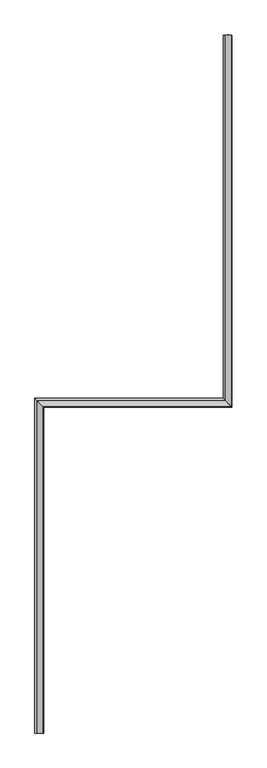
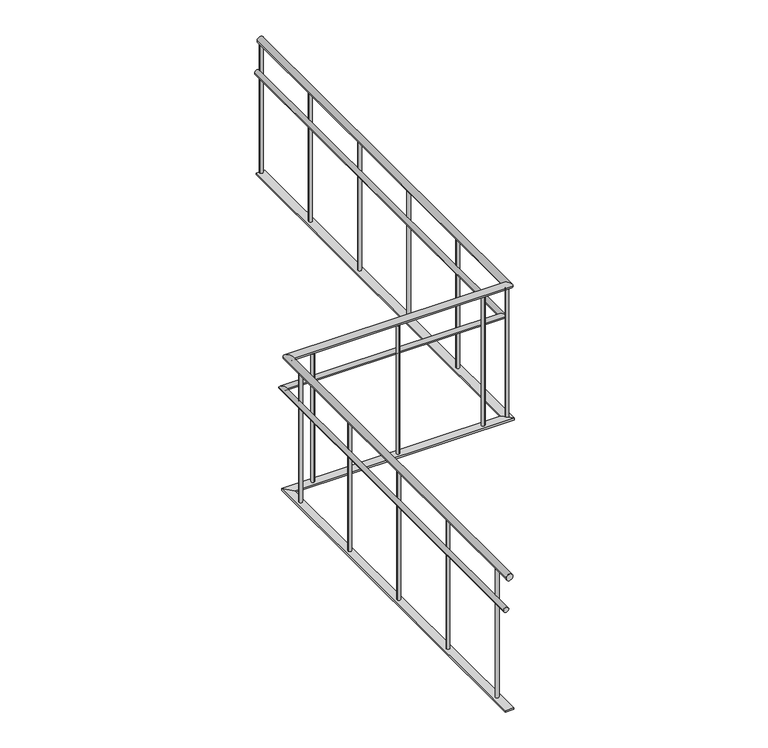
"""IFC4 building model written with IfcOpenShell, lengths in millimetres: railing geometry."""

import ifcopenshell
import ifcopenshell.guid

model = None  # the IFC model being written
_history = None  # IfcOwnerHistory: only IFC2X3 demands one
_inside = {}  # id of a spatial element -> (the spatial element, [elements in it])
_under = {}  # id of a project, library or spatial element -> (it, [spatial elements below it])
_declared = {}  # id of a project -> (the project, [libraries it declares])
_typed = {}  # id of a type object -> (the type object, [elements of that type])
_made_of = {}  # id of a material, layer set ... -> (it, [elements and type objects made of it])


def new_model(schema):
    """Start an empty IFC model of exactly this schema.

    Asked for "IFC4X3", IfcOpenShell would pick the latest addendum, in which some entities
    have other attributes; the version numbers below select the first issue.
    IFC2X3 requires an IfcOwnerHistory on every rooted entity: one is made here for all.
    """
    global model, _history
    if schema == "IFC4X3":
        model = ifcopenshell.file(schema_version=(4, 3, 0, 0))
    else:
        model = ifcopenshell.file(schema=schema)
    _inside.clear()
    _under.clear()
    _declared.clear()
    _typed.clear()
    _made_of.clear()
    _history = None
    if model.schema == "IFC2X3":
        org = make("IfcOrganization", Name="unknown")
        user = make(
            "IfcPersonAndOrganization",
            ThePerson=make("IfcPerson", FamilyName="unknown"),
            TheOrganization=org,
        )
        app = make(
            "IfcApplication",
            ApplicationDeveloper=org,
            Version="unknown",
            ApplicationFullName="unknown",
            ApplicationIdentifier="unknown",
        )
        _history = make(
            "IfcOwnerHistory",
            OwningUser=user,
            OwningApplication=app,
            ChangeAction="ADDED",
            CreationDate=0,
        )
    return model


def make(cls, **values):
    """One entity of the class cls with the attributes given. An attribute that is None is left unset."""
    return model.create_entity(
        cls, **{name: value for name, value in values.items() if value is not None}
    )


def rooted(cls, **values):
    """An entity with a GlobalId (a new one), such as an element, a storey or a relation."""
    return make(cls, GlobalId=ifcopenshell.guid.new(), OwnerHistory=_history, **values)


def si_unit(unit_type, name, prefix=None):
    """IfcSIUnit, for example si_unit("LENGTHUNIT", "METRE", prefix="MILLI")."""
    return make("IfcSIUnit", UnitType=unit_type, Prefix=prefix, Name=name)


def assignment(units):
    """IfcUnitAssignment: the units of a project."""
    return None if units is None else make("IfcUnitAssignment", Units=units)


def point(xyz):
    """IfcCartesianPoint."""
    return None if xyz is None else make("IfcCartesianPoint", Coordinates=xyz)


def direction(xyz):
    """IfcDirection."""
    return None if xyz is None else make("IfcDirection", DirectionRatios=xyz)


def frame(location, z_axis=None, x_axis=None):
    """IfcAxis2Placement3D, a coordinate frame: its origin and axes. An axis left out is left unset."""
    return make(
        "IfcAxis2Placement3D",
        Location=point(location),
        Axis=direction(z_axis),
        RefDirection=direction(x_axis),
    )


def frame_2d(location, x_axis=None):
    """IfcAxis2Placement2D, a coordinate frame in the plane: its origin and x axis."""
    return make(
        "IfcAxis2Placement2D", Location=point(location), RefDirection=direction(x_axis)
    )


def origin():
    """The frame at (0, 0, 0) with its axes left unset."""
    return frame((0.0, 0.0, 0.0))


def place(relative_to, where):
    """IfcLocalPlacement: puts the frame where relative to a parent placement (None: the world)."""
    return make(
        "IfcLocalPlacement", PlacementRelTo=relative_to, RelativePlacement=where
    )


def context(
    kind, dimensions, precision=None, world=None, true_north=None, identifier=None
):
    """IfcGeometricRepresentationContext, for example the 3D "Model" context."""
    return make(
        "IfcGeometricRepresentationContext",
        ContextIdentifier=identifier,
        ContextType=kind,
        CoordinateSpaceDimension=dimensions,
        Precision=precision,
        WorldCoordinateSystem=world,
        TrueNorth=true_north,
    )


def project(units=None, contexts=None):
    """IfcProject with its units and contexts."""
    return rooted(
        "IfcProject",
        Name="project",
        RepresentationContexts=contexts,
        UnitsInContext=assignment(units),
    )


def spatial(cls, under=None, at=None, **own):
    """A site, building, storey or space (cls), placed at a placement, below another one or the project."""
    s = rooted(cls, ObjectPlacement=at, **own)
    if under is not None:
        _under.setdefault(under.id(), (under, []))[1].append(s)
    return s


def circle_curve(where, radius):
    """IfcCircle in the frame where."""
    return make("IfcCircle", Position=where, Radius=radius)


def ellipse_curve(where, semi_axis1, semi_axis2):
    """IfcEllipse in the frame where."""
    return make(
        "IfcEllipse", Position=where, SemiAxis1=semi_axis1, SemiAxis2=semi_axis2
    )


def trimmed(basis, trim1, trim2, sense, master):
    """IfcTrimmedCurve: the piece of a basis curve between two trims."""
    return make(
        "IfcTrimmedCurve",
        BasisCurve=basis,
        Trim1=trim1,
        Trim2=trim2,
        SenseAgreement=sense,
        MasterRepresentation=master,
    )


def segment(curve, same_sense, transition):
    """IfcCompositeCurveSegment."""
    return make(
        "IfcCompositeCurveSegment",
        Transition=transition,
        SameSense=same_sense,
        ParentCurve=curve,
    )


def composite_curve(segments, self_intersect=None):
    """IfcCompositeCurve: segments joined end to end."""
    return make("IfcCompositeCurve", Segments=segments, SelfIntersect=self_intersect)


def outline(outer, holes=None, kind="AREA"):
    """IfcArbitraryClosedProfileDef: a profile drawn as a closed curve; with holes, ...WithVoids."""
    if holes is None:
        return make("IfcArbitraryClosedProfileDef", ProfileType=kind, OuterCurve=outer)
    return make(
        "IfcArbitraryProfileDefWithVoids",
        ProfileType=kind,
        OuterCurve=outer,
        InnerCurves=holes,
    )


def extrude(swept, where, along, depth):
    """IfcExtrudedAreaSolid: the profile swept, set in the frame where, extruded along a direction by depth."""
    return make(
        "IfcExtrudedAreaSolid",
        SweptArea=swept,
        Position=where,
        ExtrudedDirection=direction(along),
        Depth=depth,
    )


def faces_of(points, faces, orient=None, outer=None):
    """IfcFace entities. A face is a list of loops; a loop is a list of indices into points, from 0.

    orient and outer hold one flag for each loop. By default every Orientation is true, the
    first loop of a face is its IfcFaceOuterBound and the others are IfcFaceBound.
    """
    made = []
    for i, loops in enumerate(faces):
        bounds = []
        for j, loop in enumerate(loops):
            is_outer = j == 0 if outer is None else outer[i][j]
            bounds.append(
                make(
                    "IfcFaceOuterBound" if is_outer else "IfcFaceBound",
                    Bound=make("IfcPolyLoop", Polygon=[points[k] for k in loop]),
                    Orientation=True if orient is None else orient[i][j],
                )
            )
        made.append(make("IfcFace", Bounds=bounds))
    return made


def faceted_brep(points, faces, orient=None, outer=None, voids=None):
    """IfcFacetedBrep: a solid bounded by flat faces; with voids (closed shells), ...WithVoids."""
    shared = [point(p) for p in points]
    hull = make("IfcClosedShell", CfsFaces=faces_of(shared, faces, orient, outer))
    if voids is None:
        return make("IfcFacetedBrep", Outer=hull)
    return make(
        "IfcFacetedBrepWithVoids",
        Outer=hull,
        Voids=[
            make(cls, CfsFaces=faces_of(shared, fs, o, b)) for cls, fs, o, b in voids
        ],
    )


def shape(context_of_items, identifier, shape_type, items):
    """IfcShapeRepresentation: the items that make up one representation, for example the "Body"."""
    return make(
        "IfcShapeRepresentation",
        ContextOfItems=context_of_items,
        RepresentationIdentifier=identifier,
        RepresentationType=shape_type,
        Items=items,
    )


def source(mapping_origin, context_of_items, identifier, shape_type, items):
    """IfcRepresentationMap: a shape defined once, which mapped items show again and again."""
    return make(
        "IfcRepresentationMap",
        MappingOrigin=mapping_origin,
        MappedRepresentation=shape(context_of_items, identifier, shape_type, items),
    )


def transform(
    local_origin,
    x_axis=None,
    y_axis=None,
    z_axis=None,
    scale=None,
    scale2=None,
    scale3=None,
    uniform=True,
):
    """IfcCartesianTransformationOperator3D, or its non-uniform kind. x_axis, y_axis, z_axis: its Axis1, 2, 3."""
    if uniform:
        return make(
            "IfcCartesianTransformationOperator3D",
            Axis1=direction(x_axis),
            Axis2=direction(y_axis),
            LocalOrigin=point(local_origin),
            Scale=scale,
            Axis3=direction(z_axis),
        )
    return make(
        "IfcCartesianTransformationOperator3DnonUniform",
        Axis1=direction(x_axis),
        Axis2=direction(y_axis),
        LocalOrigin=point(local_origin),
        Scale=scale,
        Axis3=direction(z_axis),
        Scale2=scale2,
        Scale3=scale3,
    )


def mapped(mapping_source, mapping_target):
    """IfcMappedItem: shows the shape of a source again, moved by a transform."""
    return make(
        "IfcMappedItem", MappingSource=mapping_source, MappingTarget=mapping_target
    )


def made_of(thing, what):
    """Note that an element or type object is made of a material, layer set ...; save() writes the relation."""
    if what is not None:
        _made_of.setdefault(what.id(), (what, []))[1].append(thing)
    return thing


def element(
    cls,
    number,
    at=None,
    inside=None,
    cuts=None,
    type_object=None,
    material=None,
    context=None,
    identifier="Body",
    shape_type=None,
    held_by="IfcProductDefinitionShape",
    body=None,
    shapes=None,
    **own,
):
    """One element of the class cls, such as IfcWall. Its Tag is "e" and its number.

    at: its placement. inside: the storey or other place that contains it. cuts: it is an
    opening in that element (IfcRelVoidsElement). A single representation is given by context,
    identifier, shape_type and body (its items); several are given by shapes. held_by: the class
    of the entity that holds the representations. save() writes the other relations.
    """
    e = rooted(cls, Tag="e%d" % number, ObjectPlacement=at, **own)
    if body is not None:
        shapes = [shape(context, identifier, shape_type, body)]
    if shapes is not None:
        e.Representation = make(held_by, Representations=shapes)
    if inside is not None:
        _inside.setdefault(inside.id(), (inside, []))[1].append(e)
    if cuts is not None:
        rooted(
            "IfcRelVoidsElement", RelatingBuildingElement=cuts, RelatedOpeningElement=e
        )
    if type_object is not None:
        _typed.setdefault(type_object.id(), (type_object, []))[1].append(e)
    return made_of(e, material)


def aggregate(whole, parts):
    """IfcRelAggregates: a whole, such as a stair, and the parts it consists of."""
    return rooted("IfcRelAggregates", RelatingObject=whole, RelatedObjects=parts)


def save(model, path):
    """Write the relations noted so far, then the file.

    IfcRelAggregates (storeys below a building ...), IfcRelContainedInSpatialStructure (elements
    in a storey), IfcRelDefinesByType, IfcRelAssociatesMaterial and IfcRelDeclares: one each for
    every whole, place, type object, material and project.
    """
    for whole, parts in _under.values():
        aggregate(whole, parts)
    for where, things in _inside.values():
        rooted(
            "IfcRelContainedInSpatialStructure",
            RelatedElements=things,
            RelatingStructure=where,
        )
    for kind, things in _typed.values():
        rooted("IfcRelDefinesByType", RelatedObjects=things, RelatingType=kind)
    for what, things in _made_of.values():
        rooted("IfcRelAssociatesMaterial", RelatedObjects=things, RelatingMaterial=what)
    for by, libraries in _declared.values():
        rooted("IfcRelDeclares", RelatingContext=by, RelatedDefinitions=libraries)
    model.write(path)


def plane_surface(at):
    """IfcPlane: the flat surface through the origin of the frame at, square to its z axis."""
    return make("IfcPlane", Position=at)


def cylinder_surface(at, radius):
    """IfcCylindricalSurface: all points at the distance radius from the z axis of the frame at."""
    return make("IfcCylindricalSurface", Position=at, Radius=radius)


def advanced_brep(points, edges, surfaces, faces):
    """IfcAdvancedBrep: a solid bounded by faces that lie on surfaces and meet in shared edges.

    An edge is (start, end): straight between two places in points (the first is 0);
    or (start, end, curve); or (start, end, curve, False) where it runs against its curve.
    A face is (place in surfaces, loops), or (place, loops, False) where it looks against
    its surface's normal. A loop lists edges by number (the first is 1), with a minus sign
    where the edge is run from its end to its start. The first loop is the outer one.
    """
    corners = [point(p) for p in points]
    vertices = [make("IfcVertexPoint", VertexGeometry=c) for c in corners]
    made = []
    for start, end, *more in edges:
        made.append(
            make(
                "IfcEdgeCurve",
                EdgeStart=vertices[start],
                EdgeEnd=vertices[end],
                EdgeGeometry=more[0] if more else make("IfcPolyline", Points=[corners[start], corners[end]]),
                SameSense=more[1] if len(more) > 1 else True,
            )
        )
    hull = []
    for where, loops, *sense in faces:
        bounds = []
        for j, loop in enumerate(loops):
            ring = [make("IfcOrientedEdge", EdgeElement=made[abs(k) - 1], Orientation=k > 0) for k in loop]
            bounds.append(
                make(
                    "IfcFaceOuterBound" if j == 0 else "IfcFaceBound",
                    Bound=make("IfcEdgeLoop", EdgeList=ring),
                    Orientation=True,
                )
            )
        hull.append(make("IfcAdvancedFace", Bounds=bounds, FaceSurface=surfaces[where], SameSense=sense[0] if sense else True))
    return make("IfcAdvancedBrep", Outer=make("IfcClosedShell", CfsFaces=hull))


def railing_788201b6(model_context):
    return source(origin(), model_context, "Body", "SolidModel", [
        advanced_brep(
        [(43841.0163347, 5668.1079487, 880.0), (43801.0163347, 5668.1079487, 880.0), (43841.0163347, 3133.1270954, 880.0), (43801.0163347, 3173.1270954, 880.0), (42552.0213854, 3133.1270954, 880.0), (42512.0213854, 3173.1270954, 880.0), (42552.0213854, 903.1079487, 880.0), (42512.0213854, 903.1079487, 880.0)],
        [
            (0, 1, circle_curve(frame((43821.0163347, 5668.1079487, 880.0), z_axis=(0.0, 1.0, 0.0), x_axis=(-1.0, 0.0, 0.0)), 20.0)),
            (1, 0, circle_curve(frame((43821.0163347, 5668.1079487, 880.0), z_axis=(0.0, 1.0, 0.0), x_axis=(-1.0, 0.0, 0.0)), 20.0)),
            (0, 2),
            (2, 3, ellipse_curve(frame((43821.0163347, 3153.1270954, 880.0), z_axis=(0.7071067811865462, 0.7071067811865487, 0.0), x_axis=(-0.7071067811865486, 0.7071067811865464, 0.0)), 28.2842712, 20.0)),
            (3, 1),
            (3, 2, ellipse_curve(frame((43821.0163347, 3153.1270954, 880.0), z_axis=(0.7071067811865462, 0.7071067811865487, 0.0), x_axis=(-0.7071067811865486, 0.7071067811865464, 0.0)), 28.2842712, 20.0)),
            (2, 4),
            (4, 5, ellipse_curve(frame((42532.0213854, 3153.1270954, 880.0), z_axis=(0.7071067811865488, 0.7071067811865462, 0.0), x_axis=(0.7071067811865462, -0.7071067811865488, 0.0)), 28.2842712, 20.0)),
            (5, 3),
            (5, 4, ellipse_curve(frame((42532.0213854, 3153.1270954, 880.0), z_axis=(0.7071067811865488, 0.7071067811865462, 0.0), x_axis=(0.7071067811865462, -0.7071067811865488, 0.0)), 28.2842712, 20.0)),
            (6, 7, circle_curve(frame((42532.0213854, 903.1079487, 880.0), z_axis=(0.0, -1.0, 0.0), x_axis=(-1.0, 0.0, 0.0)), 20.0)),
            (7, 6, circle_curve(frame((42532.0213854, 903.1079487, 880.0), z_axis=(0.0, -1.0, 0.0), x_axis=(-1.0, 0.0, 0.0)), 20.0)),
            (4, 6),
            (7, 5),
        ],
        [
            plane_surface(frame((43821.0163347, 5668.1079487, 900.0), z_axis=(0.0, 1.0, 0.0), x_axis=(0.0, 0.0, -1.0))),
            cylinder_surface(frame((43821.0163347, 5668.1079487, 880.0), z_axis=(0.0, 1.0, 0.0), x_axis=(-1.0, 0.0, 0.0)), 20.0),
            cylinder_surface(frame((43821.0163347, 3153.1270954, 880.0), z_axis=(1.0, 0.0, 0.0), x_axis=(0.0, 1.0, 0.0)), 20.0),
            plane_surface(frame((42532.0213854, 903.1079487, 900.0), z_axis=(0.0, -1.0, 0.0), x_axis=(0.0, 0.0, -1.0))),
            cylinder_surface(frame((42532.0213854, 3153.1270954, 880.0), z_axis=(0.0, 1.0, 0.0), x_axis=(-1.0, 0.0, 0.0)), 20.0),
        ],
        [
            (0, [[1, 2]]),
            (1, [[-1, 3, 4, 5]]),
            (1, [[-2, -5, 6, -3]]),
            (2, [[-4, 7, 8, 9]]),
            (2, [[-6, -9, 10, -7]]),
            (3, [[11, 12]]),
            (4, [[-8, 13, -12, 14]]),
            (4, [[-10, -14, -11, -13]]),
        ],
    ),
        advanced_brep(
        [(43816.0163347, 5668.1079487, 685.0), (43786.0163347, 5668.1079487, 685.0), (43816.0163347, 3158.1270954, 685.0), (43786.0163347, 3188.1270954, 685.0), (42527.0213854, 3158.1270954, 685.0), (42497.0213854, 3188.1270954, 685.0), (42527.0213854, 903.1079487, 685.0), (42497.0213854, 903.1079487, 685.0)],
        [
            (0, 1, circle_curve(frame((43801.0163347, 5668.1079487, 685.0), z_axis=(0.0, 1.0, 0.0), x_axis=(-1.0, 0.0, 0.0)), 15.0)),
            (1, 0, circle_curve(frame((43801.0163347, 5668.1079487, 685.0), z_axis=(0.0, 1.0, 0.0), x_axis=(-1.0, 0.0, 0.0)), 15.0)),
            (0, 2),
            (2, 3, ellipse_curve(frame((43801.0163347, 3173.1270954, 685.0), z_axis=(0.7071067811865462, 0.7071067811865487, 0.0), x_axis=(-0.7071067811865486, 0.7071067811865464, 0.0)), 21.2132034, 15.0)),
            (3, 1),
            (3, 2, ellipse_curve(frame((43801.0163347, 3173.1270954, 685.0), z_axis=(0.7071067811865462, 0.7071067811865487, 0.0), x_axis=(-0.7071067811865486, 0.7071067811865464, 0.0)), 21.2132034, 15.0)),
            (2, 4),
            (4, 5, ellipse_curve(frame((42512.0213854, 3173.1270954, 685.0), z_axis=(0.7071067811865488, 0.7071067811865462, 0.0), x_axis=(0.7071067811865462, -0.7071067811865488, 0.0)), 21.2132034, 15.0)),
            (5, 3),
            (5, 4, ellipse_curve(frame((42512.0213854, 3173.1270954, 685.0), z_axis=(0.7071067811865488, 0.7071067811865462, 0.0), x_axis=(0.7071067811865462, -0.7071067811865488, 0.0)), 21.2132034, 15.0)),
            (6, 7, circle_curve(frame((42512.0213854, 903.1079487, 685.0), z_axis=(0.0, -1.0, 0.0), x_axis=(-1.0, 0.0, 0.0)), 15.0)),
            (7, 6, circle_curve(frame((42512.0213854, 903.1079487, 685.0), z_axis=(0.0, -1.0, 0.0), x_axis=(-1.0, 0.0, 0.0)), 15.0)),
            (4, 6),
            (7, 5),
        ],
        [
            plane_surface(frame((43801.0163347, 5668.1079487, 700.0), z_axis=(0.0, 1.0, 0.0), x_axis=(0.0, 0.0, -1.0))),
            cylinder_surface(frame((43801.0163347, 5668.1079487, 685.0), z_axis=(0.0, 1.0, 0.0), x_axis=(-1.0, 0.0, 0.0)), 15.0),
            cylinder_surface(frame((43801.0163347, 3173.1270954, 685.0), z_axis=(1.0, 0.0, 0.0), x_axis=(0.0, 1.0, 0.0)), 15.0),
            plane_surface(frame((42512.0213854, 903.1079487, 700.0), z_axis=(0.0, -1.0, 0.0), x_axis=(0.0, 0.0, -1.0))),
            cylinder_surface(frame((42512.0213854, 3173.1270954, 685.0), z_axis=(0.0, 1.0, 0.0), x_axis=(-1.0, 0.0, 0.0)), 15.0),
        ],
        [
            (0, [[1, 2]]),
            (1, [[-1, 3, 4, 5]]),
            (1, [[-2, -5, 6, -3]]),
            (2, [[-4, 7, 8, 9]]),
            (2, [[-6, -9, 10, -7]]),
            (3, [[11, 12]]),
            (4, [[-8, 13, -12, 14]]),
            (4, [[-10, -14, -11, -13]]),
        ],
    ),
        faceted_brep([(43796.0163347, 5668.1079487, 60.0), (43846.0163347, 5668.1079487, 60.0), (43846.0163347, 5668.1079487, 50.0), (43796.0163347, 5668.1079487, 50.0), (43796.0163347, 3178.1270954, 60.0), (43846.0163347, 3128.1270954, 60.0), (43846.0163347, 3128.1270954, 50.0), (43796.0163347, 3178.1270954, 50.0), (42507.0213854, 3178.1270954, 60.0), (42557.0213854, 3128.1270954, 60.0), (42557.0213854, 3128.1270954, 50.0), (42507.0213854, 3178.1270954, 50.0), (42507.0213854, 903.1079487, 60.0), (42507.0213854, 903.1079487, 50.0), (42557.0213854, 903.1079487, 50.0), (42557.0213854, 903.1079487, 60.0)], [[[0, 1, 2, 3]], [[1, 0, 4, 5]], [[2, 1, 5, 6]], [[3, 2, 6, 7]], [[0, 3, 7, 4]], [[5, 4, 8, 9]], [[6, 5, 9, 10]], [[7, 6, 10, 11]], [[4, 7, 11, 8]], [[12, 13, 14, 15]], [[9, 8, 12, 15]], [[10, 9, 15, 14]], [[11, 10, 14, 13]], [[8, 11, 13, 12]]]),
        extrude(outline(composite_curve([segment(trimmed(circle_curve(frame_2d((42532.0213854, 1028.117522)), 10.0), [point((42542.0213854, 1028.117522))], [point((42522.0213854, 1028.117522))], False, "CARTESIAN"), True, "CONTINUOUS"), segment(trimmed(circle_curve(frame_2d((42532.0213854, 1028.117522)), 10.0), [point((42522.0213854, 1028.117522))], [point((42542.0213854, 1028.117522))], False, "CARTESIAN"), True, "CONTINUOUS")], self_intersect=False)), frame((0.0, 0.0, 60.0), z_axis=(0.0, 0.0, 1.0), x_axis=(1.0, 0.0, 0.0)), (0.0, 0.0, 1.0), 800.0),
        extrude(outline(composite_curve([segment(trimmed(circle_curve(frame_2d((42532.0213854, 1528.117522)), 10.0), [point((42542.0213854, 1528.117522))], [point((42522.0213854, 1528.117522))], False, "CARTESIAN"), True, "CONTINUOUS"), segment(trimmed(circle_curve(frame_2d((42532.0213854, 1528.117522)), 10.0), [point((42522.0213854, 1528.117522))], [point((42542.0213854, 1528.117522))], False, "CARTESIAN"), True, "CONTINUOUS")], self_intersect=False)), frame((0.0, 0.0, 60.0), z_axis=(0.0, 0.0, 1.0), x_axis=(1.0, 0.0, 0.0)), (0.0, 0.0, 1.0), 800.0),
        extrude(outline(composite_curve([segment(trimmed(circle_curve(frame_2d((42532.0213854, 2028.117522)), 10.0), [point((42542.0213854, 2028.117522))], [point((42522.0213854, 2028.117522))], False, "CARTESIAN"), True, "CONTINUOUS"), segment(trimmed(circle_curve(frame_2d((42532.0213854, 2028.117522)), 10.0), [point((42522.0213854, 2028.117522))], [point((42542.0213854, 2028.117522))], False, "CARTESIAN"), True, "CONTINUOUS")], self_intersect=False)), frame((0.0, 0.0, 60.0), z_axis=(0.0, 0.0, 1.0), x_axis=(1.0, 0.0, 0.0)), (0.0, 0.0, 1.0), 800.0),
        extrude(outline(composite_curve([segment(trimmed(circle_curve(frame_2d((42532.0213854, 2528.117522)), 10.0), [point((42542.0213854, 2528.117522))], [point((42522.0213854, 2528.117522))], False, "CARTESIAN"), True, "CONTINUOUS"), segment(trimmed(circle_curve(frame_2d((42532.0213854, 2528.117522)), 10.0), [point((42522.0213854, 2528.117522))], [point((42542.0213854, 2528.117522))], False, "CARTESIAN"), True, "CONTINUOUS")], self_intersect=False)), frame((0.0, 0.0, 60.0), z_axis=(0.0, 0.0, 1.0), x_axis=(1.0, 0.0, 0.0)), (0.0, 0.0, 1.0), 800.0),
        extrude(outline(composite_curve([segment(trimmed(circle_curve(frame_2d((42532.0213854, 3028.117522)), 10.0), [point((42542.0213854, 3028.117522))], [point((42522.0213854, 3028.117522))], False, "CARTESIAN"), True, "CONTINUOUS"), segment(trimmed(circle_curve(frame_2d((42532.0213854, 3028.117522)), 10.0), [point((42522.0213854, 3028.117522))], [point((42542.0213854, 3028.117522))], False, "CARTESIAN"), True, "CONTINUOUS")], self_intersect=False)), frame((0.0, 0.0, 60.0), z_axis=(0.0, 0.0, 1.0), x_axis=(1.0, 0.0, 0.0)), (0.0, 0.0, 1.0), 800.0),
        extrude(outline(composite_curve([segment(trimmed(circle_curve(frame_2d((42676.5188601, 3153.1270954)), 10.0), [point((42676.5188601, 3143.1270954))], [point((42676.5188601, 3163.1270954))], False, "CARTESIAN"), True, "CONTINUOUS"), segment(trimmed(circle_curve(frame_2d((42676.5188601, 3153.1270954)), 10.0), [point((42676.5188601, 3163.1270954))], [point((42676.5188601, 3143.1270954))], False, "CARTESIAN"), True, "CONTINUOUS")], self_intersect=False)), frame((0.0, 0.0, 60.0), z_axis=(0.0, 0.0, 1.0), x_axis=(1.0, 0.0, 0.0)), (0.0, 0.0, 1.0), 800.0),
        extrude(outline(composite_curve([segment(trimmed(circle_curve(frame_2d((43176.5188601, 3153.1270954)), 10.0), [point((43176.5188601, 3143.1270954))], [point((43176.5188601, 3163.1270954))], False, "CARTESIAN"), True, "CONTINUOUS"), segment(trimmed(circle_curve(frame_2d((43176.5188601, 3153.1270954)), 10.0), [point((43176.5188601, 3163.1270954))], [point((43176.5188601, 3143.1270954))], False, "CARTESIAN"), True, "CONTINUOUS")], self_intersect=False)), frame((0.0, 0.0, 60.0), z_axis=(0.0, 0.0, 1.0), x_axis=(1.0, 0.0, 0.0)), (0.0, 0.0, 1.0), 800.0),
        extrude(outline(composite_curve([segment(trimmed(circle_curve(frame_2d((43676.5188601, 3153.1270954)), 10.0), [point((43676.5188601, 3143.1270954))], [point((43676.5188601, 3163.1270954))], False, "CARTESIAN"), True, "CONTINUOUS"), segment(trimmed(circle_curve(frame_2d((43676.5188601, 3153.1270954)), 10.0), [point((43676.5188601, 3163.1270954))], [point((43676.5188601, 3143.1270954))], False, "CARTESIAN"), True, "CONTINUOUS")], self_intersect=False)), frame((0.0, 0.0, 60.0), z_axis=(0.0, 0.0, 1.0), x_axis=(1.0, 0.0, 0.0)), (0.0, 0.0, 1.0), 800.0),
        extrude(outline(composite_curve([segment(trimmed(circle_curve(frame_2d((43821.0163347, 3160.617522)), 10.0), [point((43831.0163347, 3160.617522))], [point((43811.0163347, 3160.617522))], False, "CARTESIAN"), True, "CONTINUOUS"), segment(trimmed(circle_curve(frame_2d((43821.0163347, 3160.617522)), 10.0), [point((43811.0163347, 3160.617522))], [point((43831.0163347, 3160.617522))], False, "CARTESIAN"), True, "CONTINUOUS")], self_intersect=False)), frame((0.0, 0.0, 60.0), z_axis=(0.0, 0.0, 1.0), x_axis=(1.0, 0.0, 0.0)), (0.0, 0.0, 1.0), 800.0),
        extrude(outline(composite_curve([segment(trimmed(circle_curve(frame_2d((43821.0163347, 3660.617522)), 10.0), [point((43831.0163347, 3660.617522))], [point((43811.0163347, 3660.617522))], False, "CARTESIAN"), True, "CONTINUOUS"), segment(trimmed(circle_curve(frame_2d((43821.0163347, 3660.617522)), 10.0), [point((43811.0163347, 3660.617522))], [point((43831.0163347, 3660.617522))], False, "CARTESIAN"), True, "CONTINUOUS")], self_intersect=False)), frame((0.0, 0.0, 60.0), z_axis=(0.0, 0.0, 1.0), x_axis=(1.0, 0.0, 0.0)), (0.0, 0.0, 1.0), 800.0),
        extrude(outline(composite_curve([segment(trimmed(circle_curve(frame_2d((43821.0163347, 4160.617522)), 10.0), [point((43831.0163347, 4160.617522))], [point((43811.0163347, 4160.617522))], False, "CARTESIAN"), True, "CONTINUOUS"), segment(trimmed(circle_curve(frame_2d((43821.0163347, 4160.617522)), 10.0), [point((43811.0163347, 4160.617522))], [point((43831.0163347, 4160.617522))], False, "CARTESIAN"), True, "CONTINUOUS")], self_intersect=False)), frame((0.0, 0.0, 60.0), z_axis=(0.0, 0.0, 1.0), x_axis=(1.0, 0.0, 0.0)), (0.0, 0.0, 1.0), 800.0),
        extrude(outline(composite_curve([segment(trimmed(circle_curve(frame_2d((43821.0163347, 4660.617522)), 10.0), [point((43831.0163347, 4660.617522))], [point((43811.0163347, 4660.617522))], False, "CARTESIAN"), True, "CONTINUOUS"), segment(trimmed(circle_curve(frame_2d((43821.0163347, 4660.617522)), 10.0), [point((43811.0163347, 4660.617522))], [point((43831.0163347, 4660.617522))], False, "CARTESIAN"), True, "CONTINUOUS")], self_intersect=False)), frame((0.0, 0.0, 60.0), z_axis=(0.0, 0.0, 1.0), x_axis=(1.0, 0.0, 0.0)), (0.0, 0.0, 1.0), 800.0),
        extrude(outline(composite_curve([segment(trimmed(circle_curve(frame_2d((43821.0163347, 5160.617522)), 10.0), [point((43831.0163347, 5160.617522))], [point((43811.0163347, 5160.617522))], False, "CARTESIAN"), True, "CONTINUOUS"), segment(trimmed(circle_curve(frame_2d((43821.0163347, 5160.617522)), 10.0), [point((43811.0163347, 5160.617522))], [point((43831.0163347, 5160.617522))], False, "CARTESIAN"), True, "CONTINUOUS")], self_intersect=False)), frame((0.0, 0.0, 60.0), z_axis=(0.0, 0.0, 1.0), x_axis=(1.0, 0.0, 0.0)), (0.0, 0.0, 1.0), 800.0),
        extrude(outline(composite_curve([segment(trimmed(circle_curve(frame_2d((43821.0163347, 5660.617522)), 10.0), [point((43831.0163347, 5660.617522))], [point((43811.0163347, 5660.617522))], False, "CARTESIAN"), True, "CONTINUOUS"), segment(trimmed(circle_curve(frame_2d((43821.0163347, 5660.617522)), 10.0), [point((43811.0163347, 5660.617522))], [point((43831.0163347, 5660.617522))], False, "CARTESIAN"), True, "CONTINUOUS")], self_intersect=False)), frame((0.0, 0.0, 60.0), z_axis=(0.0, 0.0, 1.0), x_axis=(1.0, 0.0, 0.0)), (0.0, 0.0, 1.0), 800.0),
    ])


if __name__ == "__main__":
    model = new_model("IFC4")
    model_context = context("Model", 3, world=origin())
    ifc_project = project(units=[si_unit("LENGTHUNIT", "METRE", prefix="MILLI")], contexts=[model_context])
    site = spatial("IfcSite", under=ifc_project)
    building = spatial("IfcBuilding", under=site)
    placement = place(None, origin())
    railing_shape = railing_788201b6(model_context)
    element("IfcRailing", 1, at=placement, inside=building, context=model_context, shape_type="MappedRepresentation", body=[
        mapped(railing_shape, transform((0.0, 0.0, 0.0), x_axis=(1.0, 0.0, 0.0), y_axis=(0.0, 1.0, 0.0), z_axis=(0.0, 0.0, 1.0))),
    ])
    save(model, "model.ifc")
